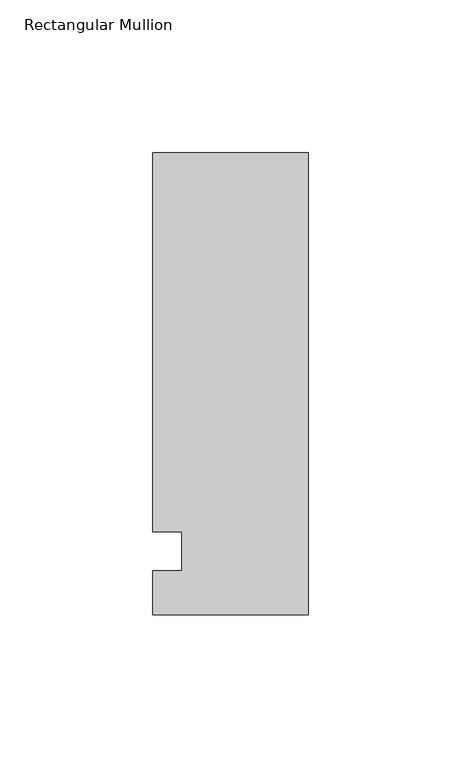
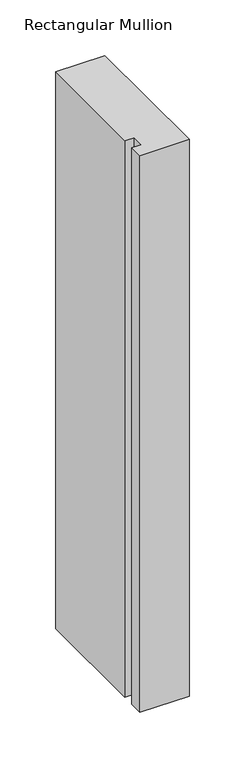
"""IFC4 building model written with IfcOpenShell, lengths in millimetres: member geometry, Rectangular Mullion."""

from ifc_helpers import new_model, si_unit, frame, origin, place, context, project, spatial, polyline, outline, extrude, source, transform, mapped, element, save


def rectangular_mullion_832ebebc(model_context):
    return source(origin(), model_context, "Body", "SweptSolid", [
        extrude(outline(polyline([(-50.8, -25.5984375), (-50.8, -11.1125), (-41.275, -11.1125), (-41.275, 1.5875), (-50.8, 1.5875), (-50.8, 125.6109375), (0.0, 125.6109375), (0.0, -25.5984375), (-50.8, -25.5984375)])), frame((0.0, 0.0, -609.6), z_axis=(0.0, 0.0, 1.0), x_axis=(1.0, 0.0, 0.0)), (0.0, 0.0, 1.0), 609.6),
    ])


if __name__ == "__main__":
    model = new_model("IFC4")
    model_context = context("Model", 3, world=origin())
    ifc_project = project(units=[si_unit("LENGTHUNIT", "METRE", prefix="MILLI")], contexts=[model_context])
    site = spatial("IfcSite", under=ifc_project)
    building = spatial("IfcBuilding", under=site)
    placement = place(None, origin())
    rectangular_mullion_shape = rectangular_mullion_832ebebc(model_context)
    element("IfcMember", 1, ObjectType="Rectangular Mullion", at=placement, inside=building, context=model_context, shape_type="MappedRepresentation", body=[
        mapped(rectangular_mullion_shape, transform((0.0, 0.0, 0.0), x_axis=(1.0, 0.0, 0.0), y_axis=(0.0, 1.0, 0.0), z_axis=(0.0, 0.0, 1.0))),
    ])
    save(model, "model.ifc")
